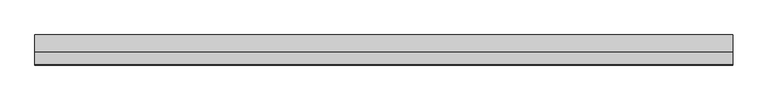
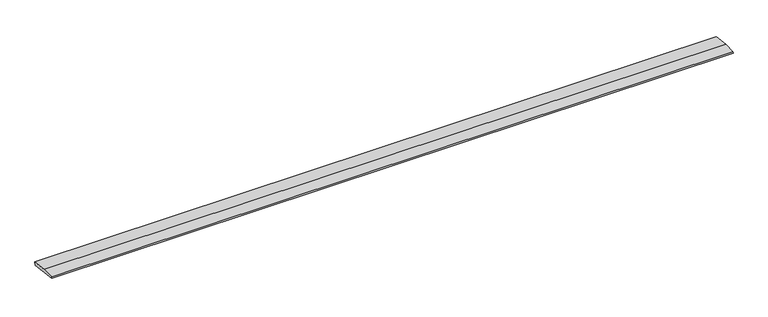
"""IFC4 building model written with IfcOpenShell, lengths in millimetres: beam geometry."""

from ifc_helpers import new_model, si_unit, frame, origin, place, context, project, spatial, polyline, outline, extrude, source, transform, mapped, element, save


def beam_07ff9b1a(model_context):
    return source(origin(), model_context, "Body", "SweptSolid", [
        extrude(outline(polyline([(0.0, -9.143159), (1.1226388, 0.0), (79.0749747, 0.0), (180.9387048, -12.5072934), (178.6231873, -31.3656703), (0.0, -9.143159)])), frame((-2095.0, 0.0, 0.0), z_axis=(1.0, 0.0, 0.0), x_axis=(0.0, 1.0, 0.0)), (0.0, 0.0, 1.0), 4190.0),
    ])


if __name__ == "__main__":
    model = new_model("IFC4")
    model_context = context("Model", 3, world=origin())
    ifc_project = project(units=[si_unit("LENGTHUNIT", "METRE", prefix="MILLI")], contexts=[model_context])
    site = spatial("IfcSite", under=ifc_project)
    building = spatial("IfcBuilding", under=site)
    placement = place(None, origin())
    beam_shape = beam_07ff9b1a(model_context)
    element("IfcBeam", 1, at=placement, inside=building, context=model_context, shape_type="MappedRepresentation", body=[
        mapped(beam_shape, transform((0.0, 0.0, 0.0), x_axis=(1.0, 0.0, 0.0), y_axis=(0.0, 1.0, 0.0), z_axis=(0.0, 0.0, 1.0))),
    ])
    save(model, "model.ifc")
